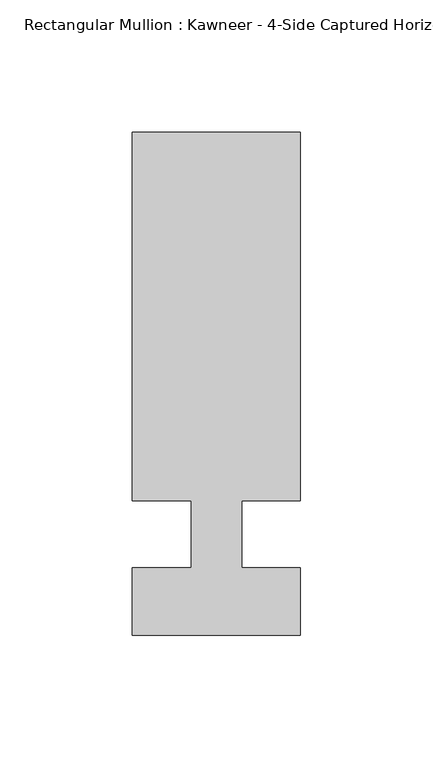
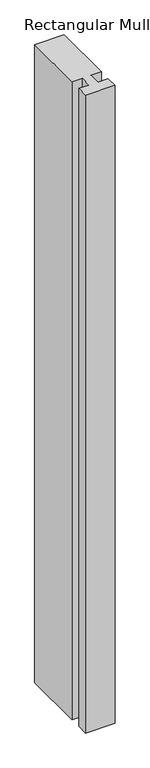
"""IFC4 building model written with IfcOpenShell, lengths in millimetres: member geometry."""

import ifcopenshell
import ifcopenshell.guid

model = None  # the IFC model being written
_history = None  # IfcOwnerHistory: only IFC2X3 demands one
_inside = {}  # id of a spatial element -> (the spatial element, [elements in it])
_under = {}  # id of a project, library or spatial element -> (it, [spatial elements below it])
_declared = {}  # id of a project -> (the project, [libraries it declares])
_typed = {}  # id of a type object -> (the type object, [elements of that type])
_made_of = {}  # id of a material, layer set ... -> (it, [elements and type objects made of it])


def new_model(schema):
    """Start an empty IFC model of exactly this schema.

    Asked for "IFC4X3", IfcOpenShell would pick the latest addendum, in which some entities
    have other attributes; the version numbers below select the first issue.
    IFC2X3 requires an IfcOwnerHistory on every rooted entity: one is made here for all.
    """
    global model, _history
    if schema == "IFC4X3":
        model = ifcopenshell.file(schema_version=(4, 3, 0, 0))
    else:
        model = ifcopenshell.file(schema=schema)
    _inside.clear()
    _under.clear()
    _declared.clear()
    _typed.clear()
    _made_of.clear()
    _history = None
    if model.schema == "IFC2X3":
        org = make("IfcOrganization", Name="unknown")
        user = make(
            "IfcPersonAndOrganization",
            ThePerson=make("IfcPerson", FamilyName="unknown"),
            TheOrganization=org,
        )
        app = make(
            "IfcApplication",
            ApplicationDeveloper=org,
            Version="unknown",
            ApplicationFullName="unknown",
            ApplicationIdentifier="unknown",
        )
        _history = make(
            "IfcOwnerHistory",
            OwningUser=user,
            OwningApplication=app,
            ChangeAction="ADDED",
            CreationDate=0,
        )
    return model


def make(cls, **values):
    """One entity of the class cls with the attributes given. An attribute that is None is left unset."""
    return model.create_entity(
        cls, **{name: value for name, value in values.items() if value is not None}
    )


def rooted(cls, **values):
    """An entity with a GlobalId (a new one), such as an element, a storey or a relation."""
    return make(cls, GlobalId=ifcopenshell.guid.new(), OwnerHistory=_history, **values)


def si_unit(unit_type, name, prefix=None):
    """IfcSIUnit, for example si_unit("LENGTHUNIT", "METRE", prefix="MILLI")."""
    return make("IfcSIUnit", UnitType=unit_type, Prefix=prefix, Name=name)


def assignment(units):
    """IfcUnitAssignment: the units of a project."""
    return None if units is None else make("IfcUnitAssignment", Units=units)


def point(xyz):
    """IfcCartesianPoint."""
    return None if xyz is None else make("IfcCartesianPoint", Coordinates=xyz)


def direction(xyz):
    """IfcDirection."""
    return None if xyz is None else make("IfcDirection", DirectionRatios=xyz)


def frame(location, z_axis=None, x_axis=None):
    """IfcAxis2Placement3D, a coordinate frame: its origin and axes. An axis left out is left unset."""
    return make(
        "IfcAxis2Placement3D",
        Location=point(location),
        Axis=direction(z_axis),
        RefDirection=direction(x_axis),
    )


def origin():
    """The frame at (0, 0, 0) with its axes left unset."""
    return frame((0.0, 0.0, 0.0))


def place(relative_to, where):
    """IfcLocalPlacement: puts the frame where relative to a parent placement (None: the world)."""
    return make(
        "IfcLocalPlacement", PlacementRelTo=relative_to, RelativePlacement=where
    )


def context(
    kind, dimensions, precision=None, world=None, true_north=None, identifier=None
):
    """IfcGeometricRepresentationContext, for example the 3D "Model" context."""
    return make(
        "IfcGeometricRepresentationContext",
        ContextIdentifier=identifier,
        ContextType=kind,
        CoordinateSpaceDimension=dimensions,
        Precision=precision,
        WorldCoordinateSystem=world,
        TrueNorth=true_north,
    )


def project(units=None, contexts=None):
    """IfcProject with its units and contexts."""
    return rooted(
        "IfcProject",
        Name="project",
        RepresentationContexts=contexts,
        UnitsInContext=assignment(units),
    )


def spatial(cls, under=None, at=None, **own):
    """A site, building, storey or space (cls), placed at a placement, below another one or the project."""
    s = rooted(cls, ObjectPlacement=at, **own)
    if under is not None:
        _under.setdefault(under.id(), (under, []))[1].append(s)
    return s


def polyline(points):
    """IfcPolyline through the points."""
    return make("IfcPolyline", Points=[point(p) for p in points])


def outline(outer, holes=None, kind="AREA"):
    """IfcArbitraryClosedProfileDef: a profile drawn as a closed curve; with holes, ...WithVoids."""
    if holes is None:
        return make("IfcArbitraryClosedProfileDef", ProfileType=kind, OuterCurve=outer)
    return make(
        "IfcArbitraryProfileDefWithVoids",
        ProfileType=kind,
        OuterCurve=outer,
        InnerCurves=holes,
    )


def extrude(swept, where, along, depth):
    """IfcExtrudedAreaSolid: the profile swept, set in the frame where, extruded along a direction by depth."""
    return make(
        "IfcExtrudedAreaSolid",
        SweptArea=swept,
        Position=where,
        ExtrudedDirection=direction(along),
        Depth=depth,
    )


def shape(context_of_items, identifier, shape_type, items):
    """IfcShapeRepresentation: the items that make up one representation, for example the "Body"."""
    return make(
        "IfcShapeRepresentation",
        ContextOfItems=context_of_items,
        RepresentationIdentifier=identifier,
        RepresentationType=shape_type,
        Items=items,
    )


def source(mapping_origin, context_of_items, identifier, shape_type, items):
    """IfcRepresentationMap: a shape defined once, which mapped items show again and again."""
    return make(
        "IfcRepresentationMap",
        MappingOrigin=mapping_origin,
        MappedRepresentation=shape(context_of_items, identifier, shape_type, items),
    )


def transform(
    local_origin,
    x_axis=None,
    y_axis=None,
    z_axis=None,
    scale=None,
    scale2=None,
    scale3=None,
    uniform=True,
):
    """IfcCartesianTransformationOperator3D, or its non-uniform kind. x_axis, y_axis, z_axis: its Axis1, 2, 3."""
    if uniform:
        return make(
            "IfcCartesianTransformationOperator3D",
            Axis1=direction(x_axis),
            Axis2=direction(y_axis),
            LocalOrigin=point(local_origin),
            Scale=scale,
            Axis3=direction(z_axis),
        )
    return make(
        "IfcCartesianTransformationOperator3DnonUniform",
        Axis1=direction(x_axis),
        Axis2=direction(y_axis),
        LocalOrigin=point(local_origin),
        Scale=scale,
        Axis3=direction(z_axis),
        Scale2=scale2,
        Scale3=scale3,
    )


def mapped(mapping_source, mapping_target):
    """IfcMappedItem: shows the shape of a source again, moved by a transform."""
    return make(
        "IfcMappedItem", MappingSource=mapping_source, MappingTarget=mapping_target
    )


def made_of(thing, what):
    """Note that an element or type object is made of a material, layer set ...; save() writes the relation."""
    if what is not None:
        _made_of.setdefault(what.id(), (what, []))[1].append(thing)
    return thing


def element(
    cls,
    number,
    at=None,
    inside=None,
    cuts=None,
    type_object=None,
    material=None,
    context=None,
    identifier="Body",
    shape_type=None,
    held_by="IfcProductDefinitionShape",
    body=None,
    shapes=None,
    **own,
):
    """One element of the class cls, such as IfcWall. Its Tag is "e" and its number.

    at: its placement. inside: the storey or other place that contains it. cuts: it is an
    opening in that element (IfcRelVoidsElement). A single representation is given by context,
    identifier, shape_type and body (its items); several are given by shapes. held_by: the class
    of the entity that holds the representations. save() writes the other relations.
    """
    e = rooted(cls, Tag="e%d" % number, ObjectPlacement=at, **own)
    if body is not None:
        shapes = [shape(context, identifier, shape_type, body)]
    if shapes is not None:
        e.Representation = make(held_by, Representations=shapes)
    if inside is not None:
        _inside.setdefault(inside.id(), (inside, []))[1].append(e)
    if cuts is not None:
        rooted(
            "IfcRelVoidsElement", RelatingBuildingElement=cuts, RelatedOpeningElement=e
        )
    if type_object is not None:
        _typed.setdefault(type_object.id(), (type_object, []))[1].append(e)
    return made_of(e, material)


def aggregate(whole, parts):
    """IfcRelAggregates: a whole, such as a stair, and the parts it consists of."""
    return rooted("IfcRelAggregates", RelatingObject=whole, RelatedObjects=parts)


def save(model, path):
    """Write the relations noted so far, then the file.

    IfcRelAggregates (storeys below a building ...), IfcRelContainedInSpatialStructure (elements
    in a storey), IfcRelDefinesByType, IfcRelAssociatesMaterial and IfcRelDeclares: one each for
    every whole, place, type object, material and project.
    """
    for whole, parts in _under.values():
        aggregate(whole, parts)
    for where, things in _inside.values():
        rooted(
            "IfcRelContainedInSpatialStructure",
            RelatedElements=things,
            RelatingStructure=where,
        )
    for kind, things in _typed.values():
        rooted("IfcRelDefinesByType", RelatedObjects=things, RelatingType=kind)
    for what, things in _made_of.values():
        rooted("IfcRelAssociatesMaterial", RelatedObjects=things, RelatingMaterial=what)
    for by, libraries in _declared.values():
        rooted("IfcRelDeclares", RelatingContext=by, RelatedDefinitions=libraries)
    model.write(path)


def member_e77024ee(model_context):
    return source(origin(), model_context, "Body", "SweptSolid", [
        extrude(outline(polyline([(-9.525, -12.7), (-9.525, 12.7), (-31.75, 12.7), (-31.75, 151.892), (31.75, 151.892), (31.75, 12.7), (9.5251132, 12.7), (9.5251132, -12.7), (31.75, -12.7), (31.75, -38.1), (-31.75, -38.1), (-31.75, -12.7), (-9.525, -12.7)])), frame((0.0, 0.0, -1452.7897134), z_axis=(0.0, 0.0, 1.0), x_axis=(1.0, 0.0, 0.0)), (0.0, 0.0, 1.0), 1452.7897134),
    ])


if __name__ == "__main__":
    model = new_model("IFC4")
    model_context = context("Model", 3, world=origin())
    ifc_project = project(units=[si_unit("LENGTHUNIT", "METRE", prefix="MILLI")], contexts=[model_context])
    site = spatial("IfcSite", under=ifc_project)
    building = spatial("IfcBuilding", under=site)
    placement = place(None, origin())
    member_shape = member_e77024ee(model_context)
    element("IfcMember", 1, ObjectType="Rectangular Mullion : Kawneer - 4-Side Captured Horizontal Mullion - 7 1/2\"", at=placement, inside=building, context=model_context, shape_type="MappedRepresentation", body=[
        mapped(member_shape, transform((0.0, 0.0, 0.0), x_axis=(1.0, 0.0, 0.0), y_axis=(0.0, 1.0, 0.0), z_axis=(0.0, 0.0, 1.0))),
    ])
    save(model, "model.ifc")
